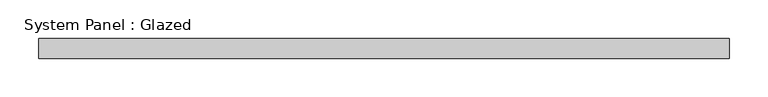
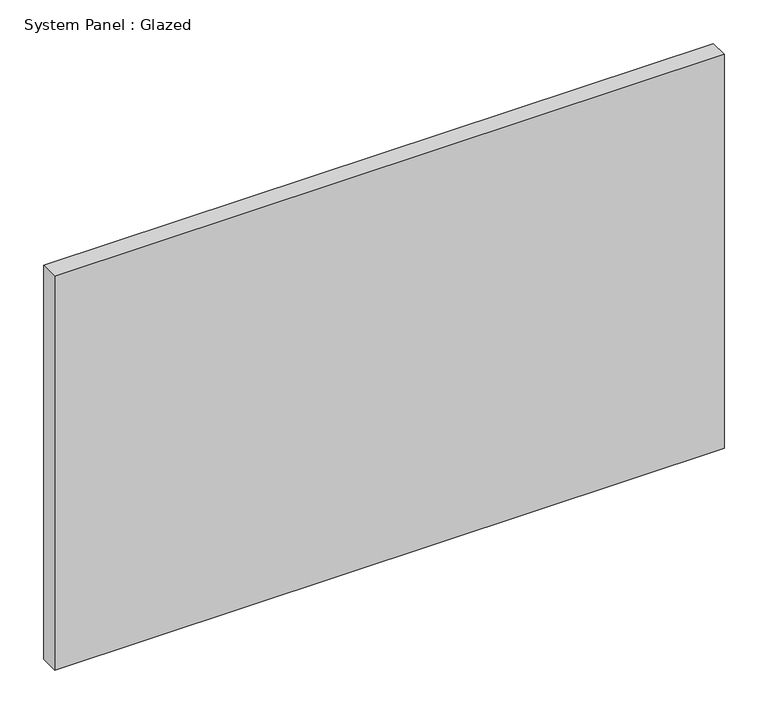
"""IFC4 building model written with IfcOpenShell, lengths in millimetres: plate geometry, System Panel : Glazed."""

from ifc_helpers import new_model, si_unit, origin, origin_with_axes, place, context, project, spatial, polyline, outline, extrude, source, transform, mapped, element, save


def system_panel_glazed_a656f2b4(model_context):
    return source(origin(), model_context, "Body", "SweptSolid", [
        extrude(outline(polyline([(444.5, -44.45), (-444.5, -44.45), (-444.5, -19.05), (444.5, -19.05), (444.5, -44.45)])), origin_with_axes(), (0.0, 0.0, 1.0), 552.45),
    ])


if __name__ == "__main__":
    model = new_model("IFC4")
    model_context = context("Model", 3, world=origin())
    ifc_project = project(units=[si_unit("LENGTHUNIT", "METRE", prefix="MILLI")], contexts=[model_context])
    site = spatial("IfcSite", under=ifc_project)
    building = spatial("IfcBuilding", under=site)
    placement = place(None, origin())
    system_panel_glazed_shape = system_panel_glazed_a656f2b4(model_context)
    element("IfcPlate", 1, ObjectType="System Panel : Glazed", at=placement, inside=building, context=model_context, shape_type="MappedRepresentation", body=[
        mapped(system_panel_glazed_shape, transform((0.0, 0.0, 0.0), x_axis=(1.0, 0.0, 0.0), y_axis=(0.0, 1.0, 0.0), z_axis=(0.0, 0.0, 1.0))),
    ])
    save(model, "model.ifc")
